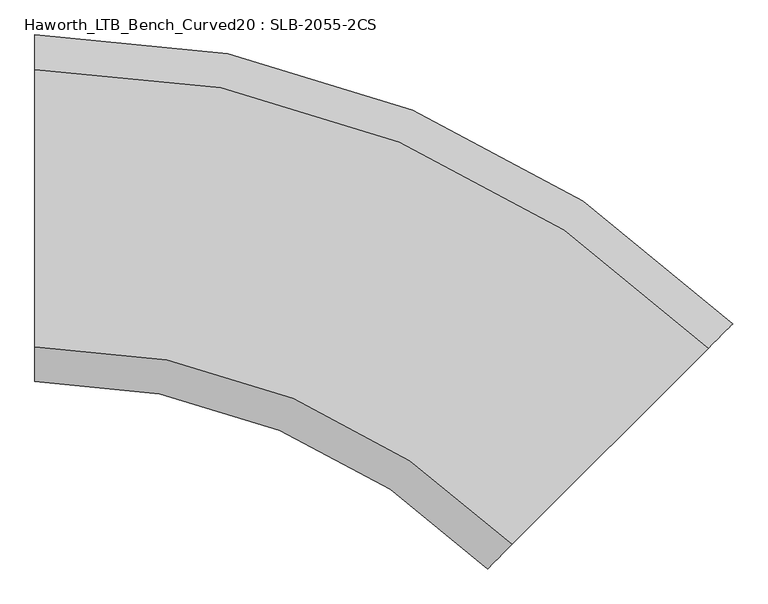
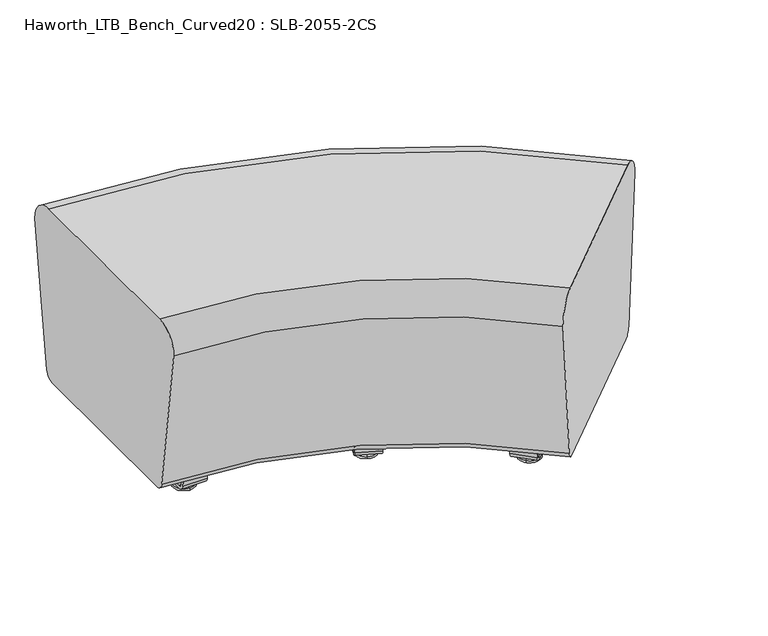
"""IFC4 building model written with IfcOpenShell, lengths in millimetres: furniture geometry, Haworth_LTB_Bench_Curved20 : SLB-2055-2CS."""

from ifc_helpers import new_model, si_unit, point, frame, frame_2d, origin, place, context, project, spatial, polyline, circle_curve, ellipse_curve, trimmed, segment, composite_curve, outline, extrude, source, transform, mapped, element, save
from ifc_brep_helpers import plane_surface, cylinder_surface, revolved_surface, advanced_brep


def haworth_ltb_bench_curved20_slb_2055_2cs_7f0cf8d8(model_context):
    return source(origin(), model_context, "Body", "SolidModel", [
        advanced_brep(
        [(668.2657909, -374.5060237, 7.8133431), (661.5305988, -381.2412158, 7.8133431), (659.2437991, -383.5280155, 7.8133431), (670.5525906, -372.219224, 7.8133431), (649.3850661, -393.3867485, 4.0775), (680.4113236, -362.360491, 4.0775), (649.6753697, -393.0964449, 0.0), (680.12102, -362.6507946, 0.0), (664.8981948, -377.8736198, 0.0), (664.8981948, -377.8736198, 50.0000004), (661.5305988, -381.2412158, 50.0000004), (668.2657909, -374.5060237, 50.0000004)],
        [
            (0, 1, circle_curve(frame((664.8981948, -377.8736198, 7.8133431), z_axis=(0.0, 0.0, -1.0), x_axis=(-0.7071067811865458, -0.7071067811865493, 0.0)), 4.7625)),
            (1, 2),
            (2, 3, circle_curve(frame((664.8981948, -377.8736198, 7.8133431), z_axis=(0.0, 0.0, 1.0), x_axis=(-0.7071067811865458, -0.7071067811865493, 0.0)), 7.9965232)),
            (3, 0),
            (1, 0, circle_curve(frame((664.8981948, -377.8736198, 7.8133431), z_axis=(0.0, 0.0, -1.0), x_axis=(-0.7071067811865458, -0.7071067811865493, 0.0)), 4.7625)),
            (3, 2, circle_curve(frame((664.8981948, -377.8736198, 7.8133431), z_axis=(0.0, 0.0, 1.0), x_axis=(-0.7071067811865458, -0.7071067811865493, 0.0)), 7.9965232)),
            (2, 4),
            (4, 5, circle_curve(frame((664.8981948, -377.8736198, 4.0775), z_axis=(0.0, 0.0, 1.0), x_axis=(-0.7071067811865458, -0.7071067811865493, 0.0)), 21.9388771)),
            (5, 3),
            (5, 4, circle_curve(frame((664.8981948, -377.8736198, 4.0775), z_axis=(0.0, 0.0, 1.0), x_axis=(-0.7071067811865458, -0.7071067811865493, 0.0)), 21.9388771)),
            (4, 6, circle_curve(frame((649.765011, -393.0068036, 2.0721829), z_axis=(0.7071067811865493, -0.7071067811865458, 0.0), x_axis=(0.7071067811865458, 0.7071067811865493, 0.0)), 2.0760571)),
            (6, 7, circle_curve(frame((664.8981948, -377.8736198, 0.0), z_axis=(0.0, 0.0, 1.0), x_axis=(-0.7071067811865458, -0.7071067811865493, 0.0)), 21.5283258)),
            (7, 5, circle_curve(frame((680.0313787, -362.7404359, 2.0721829), z_axis=(0.707106781186547, -0.7071067811865481, 0.0), x_axis=(-0.7071067811865481, -0.707106781186547, 0.0)), 2.0760571)),
            (7, 6, circle_curve(frame((664.8981948, -377.8736198, 0.0), z_axis=(0.0, 0.0, 1.0), x_axis=(-0.7071067811865458, -0.7071067811865493, 0.0)), 21.5283258)),
            (6, 8),
            (8, 7),
            (9, 10),
            (10, 11, circle_curve(frame((664.8981948, -377.8736198, 50.0000004), z_axis=(0.0, 0.0, 1.0), x_axis=(-0.7071067811865458, -0.7071067811865493, 0.0)), 4.7625)),
            (11, 9),
            (11, 10, circle_curve(frame((664.8981948, -377.8736198, 50.0000004), z_axis=(0.0, 0.0, 1.0), x_axis=(-0.7071067811865458, -0.7071067811865493, 0.0)), 4.7625)),
            (10, 1),
            (0, 11),
        ],
        [
            plane_surface(frame((664.8981948, -377.8736198, 7.8133431), z_axis=(0.0, 0.0, 1.0), x_axis=(-0.7071067811865458, -0.7071067811865493, 0.0))),
            revolved_surface(polyline([(649.3850661, -393.3867485, 4.0775), (659.2437991, -383.5280155, 7.8133431)]), (664.8981948, -377.8736198, 0.0), (0.0, 0.0, 1.0)),
            revolved_surface(trimmed(ellipse_curve(frame((649.765011, -393.0068036, 2.0721829), z_axis=(-0.7071067811865493, 0.7071067811865458, 0.0), x_axis=(0.7071067811865458, 0.7071067811865493, 0.0)), 2.0760571, 2.0760571), [point((649.6753697, -393.0964449, 0.0))], [point((649.3850661, -393.3867485, 4.0775))], True, "CARTESIAN"), (664.8981948, -377.8736198, 0.0), (0.0, 0.0, 1.0)),
            plane_surface(frame((664.8981948, -377.8736198, 0.0), z_axis=(0.0, 0.0, -1.0), x_axis=(-0.7071067811865458, -0.7071067811865493, 0.0))),
            plane_surface(frame((664.8981948, -377.8736198, 50.0000004), z_axis=(0.0, 0.0, 1.0), x_axis=(-0.7071067811865458, -0.7071067811865493, 0.0))),
            cylinder_surface(frame((664.8981948, -377.8736198, 0.0), z_axis=(0.0, 0.0, 1.0), x_axis=(-0.7071067811865458, -0.7071067811865493, 0.0)), 4.7625),
        ],
        [
            (0, [[1, 2, 3, 4]]),
            (0, [[5, -4, 6, -2]]),
            (1, [[-3, 7, 8, 9]]),
            (1, [[-6, -9, 10, -7]]),
            (2, [[-8, 11, 12, 13]]),
            (2, [[-10, -13, 14, -11]]),
            (3, [[-12, 15, 16]]),
            (3, [[-14, -16, -15]]),
            (4, [[17, 18, 19]]),
            (4, [[-19, 20, -17]]),
            (5, [[-18, 21, -1, 22]]),
            (5, [[-20, -22, -5, -21]]),
        ],
    ),
        advanced_brep(
        [(861.2486902, -181.5231244, 7.8133431), (872.5574817, -170.2143329, 7.8133431), (870.270682, -172.5011326, 7.8133431), (863.5354899, -179.2363247, 7.8133431), (851.3899572, -191.3818574, 4.0775), (882.4162147, -160.3555999, 4.0775), (851.6802608, -191.0915538, 0.0), (882.1259112, -160.6459035, 0.0), (866.903086, -175.8687286, 0.0), (863.5354899, -179.2363247, 50.0000004), (870.270682, -172.5011326, 50.0000004), (866.903086, -175.8687286, 50.0000004)],
        [
            (0, 1, circle_curve(frame((866.903086, -175.8687286, 7.8133431), z_axis=(0.0, 0.0, 1.0), x_axis=(0.707106781186548, 0.7071067811865471, 0.0)), 7.9965232)),
            (1, 2),
            (2, 3, circle_curve(frame((866.903086, -175.8687286, 7.8133431), z_axis=(0.0, 0.0, -1.0), x_axis=(0.707106781186548, 0.7071067811865471, 0.0)), 4.7625)),
            (3, 0),
            (1, 0, circle_curve(frame((866.903086, -175.8687286, 7.8133431), z_axis=(0.0, 0.0, 1.0), x_axis=(0.707106781186548, 0.7071067811865471, 0.0)), 7.9965232)),
            (3, 2, circle_curve(frame((866.903086, -175.8687286, 7.8133431), z_axis=(0.0, 0.0, -1.0), x_axis=(0.707106781186548, 0.7071067811865471, 0.0)), 4.7625)),
            (4, 5, circle_curve(frame((866.903086, -175.8687286, 4.0775), z_axis=(0.0, 0.0, 1.0), x_axis=(0.707106781186548, 0.7071067811865471, 0.0)), 21.9388771)),
            (5, 1),
            (0, 4),
            (5, 4, circle_curve(frame((866.903086, -175.8687286, 4.0775), z_axis=(0.0, 0.0, 1.0), x_axis=(0.707106781186548, 0.7071067811865471, 0.0)), 21.9388771)),
            (6, 7, circle_curve(frame((866.903086, -175.8687286, 0.0), z_axis=(0.0, 0.0, 1.0), x_axis=(0.707106781186548, 0.7071067811865471, 0.0)), 21.5283258)),
            (7, 5, circle_curve(frame((882.0362699, -160.7355447, 2.0721829), z_axis=(0.7071067811865471, -0.707106781186548, 0.0), x_axis=(-0.707106781186548, -0.7071067811865471, 0.0)), 2.0760571)),
            (4, 6, circle_curve(frame((851.7699021, -191.0019125, 2.0721829), z_axis=(0.7071067811865495, -0.7071067811865457, 0.0), x_axis=(0.7071067811865457, 0.7071067811865495, 0.0)), 2.0760571)),
            (7, 6, circle_curve(frame((866.903086, -175.8687286, 0.0), z_axis=(0.0, 0.0, 1.0), x_axis=(0.707106781186548, 0.7071067811865471, 0.0)), 21.5283258)),
            (8, 7),
            (6, 8),
            (9, 10, circle_curve(frame((866.903086, -175.8687286, 50.0000004), z_axis=(0.0, 0.0, 1.0), x_axis=(0.707106781186548, 0.7071067811865471, 0.0)), 4.7625)),
            (10, 11),
            (11, 9),
            (10, 9, circle_curve(frame((866.903086, -175.8687286, 50.0000004), z_axis=(0.0, 0.0, 1.0), x_axis=(0.707106781186548, 0.7071067811865471, 0.0)), 4.7625)),
            (2, 10),
            (9, 3),
        ],
        [
            plane_surface(frame((866.903086, -175.8687286, 7.8133431), z_axis=(0.0, 0.0, 1.0), x_axis=(0.707106781186548, 0.7071067811865471, 0.0))),
            revolved_surface(polyline([(872.5574817, -170.2143329, 7.8133431), (882.4162147, -160.3555999, 4.0775)]), (866.903086, -175.8687286, 0.0), (0.0, 0.0, -1.0)),
            revolved_surface(trimmed(ellipse_curve(frame((882.0362699, -160.7355447, 2.0721829), z_axis=(-0.7071067811865471, 0.707106781186548, 0.0), x_axis=(-0.707106781186548, -0.7071067811865471, 0.0)), 2.0760571, 2.0760571), [point((882.4162147, -160.3555999, 4.0775))], [point((882.1259112, -160.6459035, 0.0))], True, "CARTESIAN"), (866.903086, -175.8687286, 0.0), (0.0, 0.0, -1.0)),
            plane_surface(frame((866.903086, -175.8687286, 0.0), z_axis=(0.0, 0.0, -1.0), x_axis=(0.707106781186548, 0.7071067811865471, 0.0))),
            plane_surface(frame((866.903086, -175.8687286, 50.0000004), z_axis=(0.0, 0.0, 1.0), x_axis=(0.707106781186548, 0.7071067811865471, 0.0))),
            cylinder_surface(frame((866.903086, -175.8687286, 0.0), z_axis=(0.0, 0.0, -1.0), x_axis=(0.707106781186548, 0.7071067811865471, 0.0)), 4.7625),
        ],
        [
            (0, [[1, 2, 3, 4]]),
            (0, [[5, -4, 6, -2]]),
            (1, [[7, 8, -1, 9]]),
            (1, [[10, -9, -5, -8]]),
            (2, [[11, 12, -7, 13]]),
            (2, [[14, -13, -10, -12]]),
            (3, [[15, -11, 16]]),
            (3, [[-16, -14, -15]]),
            (4, [[17, 18, 19]]),
            (4, [[20, -19, -18]]),
            (5, [[-3, 21, -17, 22]]),
            (5, [[-6, -22, -20, -21]]),
        ],
    ),
        extrude(outline(composite_curve([segment(polyline([(0.0, 0.0), (-1.2e-06, -5.6900076), (-35.4274256, -5.6900007)]), True, "CONTINUOUS"), segment(trimmed(circle_curve(frame_2d((-35.4274274, -15.0000027)), 9.310002), [point((-35.4274256, -5.6900007))], [point((-44.6468251, -13.7043009))], True, "CARTESIAN"), True, "CONTINUOUS"), segment(polyline([(-44.6468251, -13.7043009), (-91.6403805, -348.0808441)]), True, "CONTINUOUS"), segment(trimmed(circle_curve(frame_2d((-82.4209827, -349.3765458)), 9.310002), [point((-91.6403805, -348.0808441))], [point((-84.9871652, -358.3258946))], True, "CARTESIAN"), True, "CONTINUOUS"), segment(polyline([(-84.9871652, -358.3258946), (-50.932137, -368.091009), (-52.5005144, -373.5605955), (-86.5555449, -363.7954735)]), True, "CONTINUOUS"), segment(trimmed(circle_curve(frame_2d((-82.4209845, -349.3765469)), 15.000001), [point((-86.5555449, -363.7954735))], [point((-97.2750065, -347.2889503))], False, "CARTESIAN"), True, "CONTINUOUS"), segment(polyline([(-97.2750065, -347.2889503), (-50.2814508, -12.9124045)]), True, "CONTINUOUS"), segment(trimmed(circle_curve(frame_2d((-35.4274288, -15.000001)), 15.000001), [point((-50.2814508, -12.9124045))], [point((-35.4274288, -1e-07))], False, "CARTESIAN"), True, "CONTINUOUS"), segment(polyline([(-35.4274288, -1e-07), (0.0, 0.0)]), True, "CONTINUOUS")], self_intersect=False)), frame((917.2327307, -161.4601084, 62.9950557), z_axis=(-0.7071067811865471, 0.707106781186548, 0.0), x_axis=(0.09841023703060935, 0.09841023703060922, 0.9902680700169821)), (0.0, 0.0, 1.0), 50.8),
        advanced_brep(
        [(418.2664228, -215.2155294, 7.8133431), (414.6213631, -224.015482, 7.8133431), (413.383756, -227.0033298, 7.8133431), (419.5040299, -212.2276816, 7.8133431), (408.0482482, -239.8843852, 4.0775), (424.8395377, -199.3466262, 4.0775), (408.2053593, -239.5050853, 0.0), (424.6824266, -199.7259261, 0.0), (416.4438929, -219.6155057, 0.0), (416.4438929, -219.6155057, 50.0000004), (414.6213631, -224.015482, 50.0000004), (418.2664228, -215.2155294, 50.0000004)],
        [
            (0, 1, circle_curve(frame((416.4438929, -219.6155057, 7.8133431), z_axis=(0.0, 0.0, -1.0), x_axis=(-0.38268343236508784, -0.9238795325112876, 0.0)), 4.7625)),
            (1, 2),
            (2, 3, circle_curve(frame((416.4438929, -219.6155057, 7.8133431), z_axis=(0.0, 0.0, 1.0), x_axis=(-0.38268343236508784, -0.9238795325112876, 0.0)), 7.9965232)),
            (3, 0),
            (1, 0, circle_curve(frame((416.4438929, -219.6155057, 7.8133431), z_axis=(0.0, 0.0, -1.0), x_axis=(-0.38268343236508784, -0.9238795325112876, 0.0)), 4.7625)),
            (3, 2, circle_curve(frame((416.4438929, -219.6155057, 7.8133431), z_axis=(0.0, 0.0, 1.0), x_axis=(-0.38268343236508784, -0.9238795325112876, 0.0)), 7.9965232)),
            (2, 4),
            (4, 5, circle_curve(frame((416.4438929, -219.6155057, 4.0775), z_axis=(0.0, 0.0, 1.0), x_axis=(-0.38268343236508784, -0.9238795325112876, 0.0)), 21.9388771)),
            (5, 3),
            (5, 4, circle_curve(frame((416.4438929, -219.6155057, 4.0775), z_axis=(0.0, 0.0, 1.0), x_axis=(-0.38268343236508784, -0.9238795325112876, 0.0)), 21.9388771)),
            (4, 6, circle_curve(frame((408.2538728, -239.3879633, 2.0721829), z_axis=(0.9238795325112876, -0.3826834323650878, 0.0), x_axis=(0.3826834323650878, 0.9238795325112876, 0.0)), 2.0760571)),
            (6, 7, circle_curve(frame((416.4438929, -219.6155057, 0.0), z_axis=(0.0, 0.0, 1.0), x_axis=(-0.38268343236508784, -0.9238795325112876, 0.0)), 21.5283258)),
            (7, 5, circle_curve(frame((424.633913, -199.8430481, 2.0721829), z_axis=(0.9238795325112864, -0.3826834323650908, 0.0), x_axis=(-0.3826834323650908, -0.9238795325112864, 0.0)), 2.0760571)),
            (7, 6, circle_curve(frame((416.4438929, -219.6155057, 0.0), z_axis=(0.0, 0.0, 1.0), x_axis=(-0.38268343236508784, -0.9238795325112876, 0.0)), 21.5283258)),
            (6, 8),
            (8, 7),
            (9, 10),
            (10, 11, circle_curve(frame((416.4438929, -219.6155057, 50.0000004), z_axis=(0.0, 0.0, 1.0), x_axis=(-0.38268343236508784, -0.9238795325112876, 0.0)), 4.7625)),
            (11, 9),
            (11, 10, circle_curve(frame((416.4438929, -219.6155057, 50.0000004), z_axis=(0.0, 0.0, 1.0), x_axis=(-0.38268343236508784, -0.9238795325112876, 0.0)), 4.7625)),
            (10, 1),
            (0, 11),
        ],
        [
            plane_surface(frame((416.4438929, -219.6155057, 7.8133431), z_axis=(0.0, 0.0, 1.0000000000000002), x_axis=(-0.38268343236508784, -0.9238795325112876, 0.0))),
            revolved_surface(polyline([(408.0482482, -239.8843852, 4.0775), (413.383756, -227.0033298, 7.8133431)]), (416.4438929, -219.6155057, 0.0), (0.0, 0.0, 1.0)),
            revolved_surface(trimmed(ellipse_curve(frame((408.2538728, -239.3879633, 2.0721829), z_axis=(-0.9238795325112876, 0.3826834323650878, 0.0), x_axis=(0.3826834323650878, 0.9238795325112876, 0.0)), 2.0760571, 2.0760571), [point((408.2053593, -239.5050853, 0.0))], [point((408.0482482, -239.8843852, 4.0775))], True, "CARTESIAN"), (416.4438929, -219.6155057, 0.0), (0.0, 0.0, 1.0)),
            plane_surface(frame((416.4438929, -219.6155057, 0.0), z_axis=(0.0, 0.0, -1.0000000000000002), x_axis=(-0.38268343236508784, -0.9238795325112876, 0.0))),
            plane_surface(frame((416.4438929, -219.6155057, 50.0000004), z_axis=(0.0, 0.0, 1.0000000000000002), x_axis=(-0.38268343236508784, -0.9238795325112876, 0.0))),
            cylinder_surface(frame((416.4438929, -219.6155057, 0.0), z_axis=(0.0, 0.0, 1.0), x_axis=(-0.38268343236508784, -0.9238795325112876, 0.0)), 4.7625),
        ],
        [
            (0, [[1, 2, 3, 4]]),
            (0, [[5, -4, 6, -2]]),
            (1, [[-3, 7, 8, 9]]),
            (1, [[-6, -9, 10, -7]]),
            (2, [[-8, 11, 12, 13]]),
            (2, [[-10, -13, 14, -11]]),
            (3, [[-12, 15, 16]]),
            (3, [[-14, -16, -15]]),
            (4, [[17, 18, 19]]),
            (4, [[-19, 20, -17]]),
            (5, [[-18, 21, -1, 22]]),
            (5, [[-20, -22, -5, -21]]),
        ],
    ),
        advanced_brep(
        [(522.7080153, 36.9287797, 7.8133431), (528.8282892, 51.7044279, 7.8133431), (527.5906821, 48.7165801, 7.8133431), (523.9456224, 39.9166275, 7.8133431), (517.3725075, 24.0477243, 4.0775), (534.163797, 64.5854833, 4.0775), (517.5296186, 24.4270242, 0.0), (534.0066858, 64.2061834, 0.0), (525.7681522, 44.3166038, 0.0), (523.9456224, 39.9166275, 50.0000004), (527.5906821, 48.7165801, 50.0000004), (525.7681522, 44.3166038, 50.0000004)],
        [
            (0, 1, circle_curve(frame((525.7681522, 44.3166038, 7.8133431), z_axis=(0.0, 0.0, 1.0), x_axis=(0.3826834323650909, 0.9238795325112864, 0.0)), 7.9965232)),
            (1, 2),
            (2, 3, circle_curve(frame((525.7681522, 44.3166038, 7.8133431), z_axis=(0.0, 0.0, -1.0), x_axis=(0.3826834323650909, 0.9238795325112864, 0.0)), 4.7625)),
            (3, 0),
            (1, 0, circle_curve(frame((525.7681522, 44.3166038, 7.8133431), z_axis=(0.0, 0.0, 1.0), x_axis=(0.3826834323650909, 0.9238795325112864, 0.0)), 7.9965232)),
            (3, 2, circle_curve(frame((525.7681522, 44.3166038, 7.8133431), z_axis=(0.0, 0.0, -1.0), x_axis=(0.3826834323650909, 0.9238795325112864, 0.0)), 4.7625)),
            (4, 5, circle_curve(frame((525.7681522, 44.3166038, 4.0775), z_axis=(0.0, 0.0, 1.0), x_axis=(0.3826834323650909, 0.9238795325112864, 0.0)), 21.9388771)),
            (5, 1),
            (0, 4),
            (5, 4, circle_curve(frame((525.7681522, 44.3166038, 4.0775), z_axis=(0.0, 0.0, 1.0), x_axis=(0.3826834323650909, 0.9238795325112864, 0.0)), 21.9388771)),
            (6, 7, circle_curve(frame((525.7681522, 44.3166038, 0.0), z_axis=(0.0, 0.0, 1.0), x_axis=(0.3826834323650909, 0.9238795325112864, 0.0)), 21.5283258)),
            (7, 5, circle_curve(frame((533.9581723, 64.0890614, 2.0721829), z_axis=(0.9238795325112864, -0.3826834323650909, 0.0), x_axis=(-0.3826834323650909, -0.9238795325112864, 0.0)), 2.0760571)),
            (4, 6, circle_curve(frame((517.5781321, 24.5441462, 2.0721829), z_axis=(0.9238795325112876, -0.3826834323650879, 0.0), x_axis=(0.3826834323650879, 0.9238795325112876, 0.0)), 2.0760571)),
            (7, 6, circle_curve(frame((525.7681522, 44.3166038, 0.0), z_axis=(0.0, 0.0, 1.0), x_axis=(0.3826834323650909, 0.9238795325112864, 0.0)), 21.5283258)),
            (8, 7),
            (6, 8),
            (9, 10, circle_curve(frame((525.7681522, 44.3166038, 50.0000004), z_axis=(0.0, 0.0, 1.0), x_axis=(0.3826834323650909, 0.9238795325112864, 0.0)), 4.7625)),
            (10, 11),
            (11, 9),
            (10, 9, circle_curve(frame((525.7681522, 44.3166038, 50.0000004), z_axis=(0.0, 0.0, 1.0), x_axis=(0.3826834323650909, 0.9238795325112864, 0.0)), 4.7625)),
            (2, 10),
            (9, 3),
        ],
        [
            plane_surface(frame((525.7681522, 44.3166038, 7.8133431), z_axis=(0.0, 0.0, 1.0000000000000002), x_axis=(0.3826834323650909, 0.9238795325112864, 0.0))),
            revolved_surface(polyline([(528.8282892, 51.7044279, 7.8133431), (534.163797, 64.5854833, 4.0775)]), (525.7681522, 44.3166038, 0.0), (0.0, 0.0, -1.0)),
            revolved_surface(trimmed(ellipse_curve(frame((533.9581723, 64.0890614, 2.0721829), z_axis=(-0.9238795325112864, 0.3826834323650909, 0.0), x_axis=(-0.3826834323650909, -0.9238795325112864, 0.0)), 2.0760571, 2.0760571), [point((534.163797, 64.5854833, 4.0775))], [point((534.0066858, 64.2061834, 0.0))], True, "CARTESIAN"), (525.7681522, 44.3166038, 0.0), (0.0, 0.0, -1.0)),
            plane_surface(frame((525.7681522, 44.3166038, 0.0), z_axis=(0.0, 0.0, -1.0000000000000002), x_axis=(0.3826834323650909, 0.9238795325112864, 0.0))),
            plane_surface(frame((525.7681522, 44.3166038, 50.0000004), z_axis=(0.0, 0.0, 1.0000000000000002), x_axis=(0.3826834323650909, 0.9238795325112864, 0.0))),
            cylinder_surface(frame((525.7681522, 44.3166038, 0.0), z_axis=(0.0, 0.0, -1.0), x_axis=(0.3826834323650909, 0.9238795325112864, 0.0)), 4.7625),
        ],
        [
            (0, [[1, 2, 3, 4]]),
            (0, [[5, -4, 6, -2]]),
            (1, [[7, 8, -1, 9]]),
            (1, [[10, -9, -5, -8]]),
            (2, [[11, 12, -7, 13]]),
            (2, [[14, -13, -10, -12]]),
            (3, [[15, -11, 16]]),
            (3, [[-16, -14, -15]]),
            (4, [[17, 18, 19]]),
            (4, [[20, -19, -18]]),
            (5, [[-3, 21, -17, 22]]),
            (5, [[-6, -22, -20, -21]]),
        ],
    ),
        extrude(outline(composite_curve([segment(polyline([(0.0, 0.0), (-1.1e-06, -5.6900075), (-35.4274256, -5.6900005)]), True, "CONTINUOUS"), segment(trimmed(circle_curve(frame_2d((-35.4274274, -15.0000026)), 9.310002), [point((-35.4274256, -5.6900005))], [point((-44.6468251, -13.7043008))], True, "CARTESIAN"), True, "CONTINUOUS"), segment(polyline([(-44.6468251, -13.7043008), (-91.6403804, -348.0808439)]), True, "CONTINUOUS"), segment(trimmed(circle_curve(frame_2d((-82.4209827, -349.3765456)), 9.310002), [point((-91.6403804, -348.0808439))], [point((-84.9871652, -358.3258945))], True, "CARTESIAN"), True, "CONTINUOUS"), segment(polyline([(-84.9871652, -358.3258945), (-50.932137, -368.0910089), (-52.5005144, -373.5605955), (-86.5555448, -363.7954733)]), True, "CONTINUOUS"), segment(trimmed(circle_curve(frame_2d((-82.4209845, -349.3765468)), 15.000001), [point((-86.5555448, -363.7954733))], [point((-97.2750065, -347.2889503))], False, "CARTESIAN"), True, "CONTINUOUS"), segment(polyline([(-97.2750065, -347.2889503), (-50.2814508, -12.9124045)]), True, "CONTINUOUS"), segment(trimmed(circle_curve(frame_2d((-35.4274288, -15.0000011)), 15.000001), [point((-50.2814508, -12.9124045))], [point((-35.4274288, 0.0))], False, "CARTESIAN"), True, "CONTINUOUS"), segment(polyline([(-35.4274288, 0.0), (0.0, 0.0)]), True, "CONTINUOUS")], self_intersect=False)), frame((566.7527406, 76.8887542, 62.9950557), z_axis=(-0.9238795325112863, 0.38268343236509084, 0.0), x_axis=(0.05325923649542972, 0.1285791710689021, 0.9902680700169818)), (0.0, 0.0, 1.0), 50.8),
        advanced_brep(
        [(0.0, -249.9820603, 374.65), (0.0, -200.0364582, 425.0000032), (0.0, 200.0364582, 425.0000032), (0.0, 249.9820603, 374.65), (0.0, 206.6601731, 66.3987528), (0.0, 187.7955663, 50.0000004), (0.0, -187.7955663, 50.0000004), (0.0, -206.6601731, 66.3987528), (652.4485474, -520.2350974, 374.65), (683.0817477, -489.6018972, 66.3987528), (696.421039, -476.2626058, 50.0000004), (962.0040759, -210.679569, 50.0000004), (975.3433672, -197.3402776, 66.3987528), (1005.9765675, -166.7070774, 374.65), (970.6596936, -202.0239513, 425.0000032), (687.7654214, -484.9182235, 425.0000032)],
        [
            (0, 1, circle_curve(frame((0.0, -200.0364582, 375.0527771), z_axis=(-1.0, 0.0, 0.0), x_axis=(0.0, -1.0, 0.0)), 49.9472261)),
            (1, 2),
            (2, 3, circle_curve(frame((0.0, 200.0364582, 375.0527771), z_axis=(-1.0, 0.0, 0.0), x_axis=(0.0, -1.0, 0.0)), 49.9472261)),
            (3, 4),
            (4, 5, circle_curve(frame((0.0, 187.7955663, 69.0500004), z_axis=(-1.0, 0.0, 0.0), x_axis=(0.0, -1.0, 0.0)), 19.05)),
            (5, 6),
            (6, 7, circle_curve(frame((0.0, -187.7955663, 69.0500004), z_axis=(-1.0, 0.0, 0.0), x_axis=(0.0, -1.0, 0.0)), 19.05)),
            (7, 0),
            (8, 9),
            (9, 10, circle_curve(frame((696.421039, -476.2626058, 69.0500004), z_axis=(0.707106781186547, -0.707106781186548, 0.0), x_axis=(-0.707106781186548, -0.707106781186547, 0.0)), 19.05)),
            (10, 11),
            (11, 12, circle_curve(frame((962.0040759, -210.679569, 69.0500004), z_axis=(0.707106781186547, -0.707106781186548, 0.0), x_axis=(-0.707106781186548, -0.707106781186547, 0.0)), 19.05)),
            (12, 13),
            (13, 14, circle_curve(frame((970.6596936, -202.0239513, 375.0527771), z_axis=(0.707106781186547, -0.707106781186548, 0.0), x_axis=(-0.707106781186548, -0.707106781186547, 0.0)), 49.9472261)),
            (14, 15),
            (15, 8, circle_curve(frame((687.7654214, -484.9182235, 375.0527771), z_axis=(0.707106781186547, -0.707106781186548, 0.0), x_axis=(-0.707106781186548, -0.707106781186547, 0.0)), 49.9472261)),
            (12, 4, circle_curve(frame((0.0, -1172.6836449, 66.3987528), z_axis=(0.0, 0.0, 1.0), x_axis=(0.0, 1.0, 0.0)), 1379.3438179)),
            (3, 13, circle_curve(frame((0.0, -1172.6836449, 374.65), z_axis=(0.0, 0.0, -1.0), x_axis=(0.0, 1.0, 0.0)), 1422.6657052)),
            (11, 5, circle_curve(frame((0.0, -1172.6836449, 50.0000004), z_axis=(0.0, 0.0, 1.0), x_axis=(0.0, 1.0, 0.0)), 1360.4792112)),
            (10, 6, circle_curve(frame((0.0, -1172.6836449, 50.0000004), z_axis=(0.0, 0.0, 1.0), x_axis=(0.0, 1.0, 0.0)), 984.8880785)),
            (9, 7, circle_curve(frame((0.0, -1172.6836449, 66.3987528), z_axis=(0.0, 0.0, 1.0), x_axis=(0.0, 1.0, 0.0)), 966.0234718)),
            (8, 0, circle_curve(frame((0.0, -1172.6836449, 374.65), z_axis=(0.0, 0.0, 1.0), x_axis=(0.0, 1.0, 0.0)), 922.7015845)),
            (15, 1, circle_curve(frame((0.0, -1172.6836449, 425.0000032), z_axis=(0.0, 0.0, 1.0), x_axis=(0.0, 1.0, 0.0)), 972.6471866)),
            (14, 2, circle_curve(frame((0.0, -1172.6836449, 425.0000032), z_axis=(0.0, 0.0, 1.0), x_axis=(0.0, 1.0, 0.0)), 1372.7201031)),
        ],
        [
            plane_surface(frame((0.0, -1172.6836449, 50.0000004), z_axis=(-1.0, 0.0, 0.0), x_axis=(0.0, 1.0, 0.0))),
            plane_surface(frame((0.0, -1172.6836449, 50.0000004), z_axis=(0.707106781186547, -0.707106781186548, 0.0), x_axis=(0.707106781186548, 0.707106781186547, 0.0))),
            revolved_surface(polyline([(0.0, 249.9820603, 374.65), (0.0, 206.6601731, 66.3987528)]), (0.0, -1172.6836449, 50.0000004), (0.0, 0.0, -1.0)),
            revolved_surface(trimmed(ellipse_curve(frame((0.0, 187.7955663, 69.0500004), z_axis=(-1.0, 0.0, 0.0), x_axis=(0.0, -1.0, 0.0)), 19.05, 19.05), [point((0.0, 206.6601731, 66.3987528))], [point((0.0, 187.7955663, 50.0000004))], True, "CARTESIAN"), (0.0, -1172.6836449, 50.0000004), (0.0, 0.0, -1.0)),
            plane_surface(frame((0.0, -1172.6836449, 50.0000004), z_axis=(0.0, 0.0, -1.0), x_axis=(0.0, 1.0, 0.0))),
            revolved_surface(trimmed(ellipse_curve(frame((0.0, -187.7955663, 69.0500004), z_axis=(-1.0, 0.0, 0.0), x_axis=(0.0, -1.0, 0.0)), 19.05, 19.05), [point((0.0, -187.7955663, 50.0000004))], [point((0.0, -206.6601731, 66.3987528))], True, "CARTESIAN"), (0.0, -1172.6836449, 50.0000004), (0.0, 0.0, -1.0)),
            revolved_surface(polyline([(0.0, -206.6601731, 66.3987528), (0.0, -249.9820603, 374.65)]), (0.0, -1172.6836449, 50.0000004), (0.0, 0.0, -1.0)),
            revolved_surface(trimmed(ellipse_curve(frame((0.0, -200.0364582, 375.0527771), z_axis=(-1.0, 0.0, 0.0), x_axis=(0.0, -1.0, 0.0)), 49.9472261, 49.9472261), [point((0.0, -249.9820603, 374.65))], [point((0.0, -200.0364582, 425.0000032))], True, "CARTESIAN"), (0.0, -1172.6836449, 50.0000004), (0.0, 0.0, -1.0)),
            plane_surface(frame((0.0, -1172.6836449, 425.0000032), z_axis=(0.0, 0.0, 1.0), x_axis=(0.0, 1.0, 0.0))),
            revolved_surface(trimmed(ellipse_curve(frame((0.0, 200.0364582, 375.0527771), z_axis=(-1.0, 0.0, 0.0), x_axis=(0.0, -1.0, 0.0)), 49.9472261, 49.9472261), [point((0.0, 200.0364582, 425.0000032))], [point((0.0, 249.9820603, 374.65))], True, "CARTESIAN"), (0.0, -1172.6836449, 50.0000004), (0.0, 0.0, -1.0)),
        ],
        [
            (0, [[1, 2, 3, 4, 5, 6, 7, 8]]),
            (1, [[9, 10, 11, 12, 13, 14, 15, 16]]),
            (2, [[17, -4, 18, -13]]),
            (3, [[19, -5, -17, -12]]),
            (4, [[20, -6, -19, -11]]),
            (5, [[21, -7, -20, -10]]),
            (6, [[22, -8, -21, -9]]),
            (7, [[23, -1, -22, -16]]),
            (8, [[24, -2, -23, -15]]),
            (9, [[-18, -3, -24, -14]]),
        ],
    ),
        advanced_brep(
        [(82.4954642, -138.0765284, 7.8133431), (82.4954642, -147.6015284, 7.8133431), (82.4954642, -150.8355515, 7.8133431), (82.4954642, -134.8425052, 7.8133431), (82.4954642, -164.7779054, 4.0775), (82.4954642, -120.9001513, 4.0775), (82.4954642, -164.3673542, 0.0), (82.4954642, -121.3107026, 0.0), (82.4954642, -142.8390284, 0.0), (82.4954642, -142.8390284, 50.0000004), (82.4954642, -147.6015284, 50.0000004), (82.4954642, -138.0765284, 50.0000004)],
        [
            (0, 1, circle_curve(frame((82.4954642, -142.8390284, 7.8133431), z_axis=(0.0, 0.0, -1.0), x_axis=(0.0, -1.0, 0.0)), 4.7625)),
            (1, 2),
            (2, 3, circle_curve(frame((82.4954642, -142.8390284, 7.8133431), z_axis=(0.0, 0.0, 1.0), x_axis=(0.0, -1.0, 0.0)), 7.9965232)),
            (3, 0),
            (1, 0, circle_curve(frame((82.4954642, -142.8390284, 7.8133431), z_axis=(0.0, 0.0, -1.0), x_axis=(0.0, -1.0, 0.0)), 4.7625)),
            (3, 2, circle_curve(frame((82.4954642, -142.8390284, 7.8133431), z_axis=(0.0, 0.0, 1.0), x_axis=(0.0, -1.0, 0.0)), 7.9965232)),
            (2, 4),
            (4, 5, circle_curve(frame((82.4954642, -142.8390284, 4.0775), z_axis=(0.0, 0.0, 1.0), x_axis=(0.0, -1.0, 0.0)), 21.9388771)),
            (5, 3),
            (5, 4, circle_curve(frame((82.4954642, -142.8390284, 4.0775), z_axis=(0.0, 0.0, 1.0), x_axis=(0.0, -1.0, 0.0)), 21.9388771)),
            (4, 6, circle_curve(frame((82.4954642, -164.2405822, 2.0721829), z_axis=(1.0, 0.0, 0.0), x_axis=(0.0, 1.0, 0.0)), 2.0760571)),
            (6, 7, circle_curve(frame((82.4954642, -142.8390284, 0.0), z_axis=(0.0, 0.0, 1.0), x_axis=(0.0, -1.0, 0.0)), 21.5283258)),
            (7, 5, circle_curve(frame((82.4954642, -121.4374745, 2.0721829), z_axis=(1.0, 0.0, 0.0), x_axis=(0.0, -1.0, 0.0)), 2.0760571)),
            (7, 6, circle_curve(frame((82.4954642, -142.8390284, 0.0), z_axis=(0.0, 0.0, 1.0), x_axis=(0.0, -1.0, 0.0)), 21.5283258)),
            (6, 8),
            (8, 7),
            (9, 10),
            (10, 11, circle_curve(frame((82.4954642, -142.8390284, 50.0000004), z_axis=(0.0, 0.0, 1.0), x_axis=(0.0, -1.0, 0.0)), 4.7625)),
            (11, 9),
            (11, 10, circle_curve(frame((82.4954642, -142.8390284, 50.0000004), z_axis=(0.0, 0.0, 1.0), x_axis=(0.0, -1.0, 0.0)), 4.7625)),
            (10, 1),
            (0, 11),
        ],
        [
            plane_surface(frame((82.4954642, -142.8390284, 7.8133431), z_axis=(0.0, 0.0, 1.0), x_axis=(0.0, -1.0, 0.0))),
            revolved_surface(polyline([(82.4954642, -164.7779054, 4.0775), (82.4954642, -150.8355515, 7.8133431)]), (82.4954642, -142.8390284, 0.0), (0.0, 0.0, 1.0)),
            revolved_surface(trimmed(ellipse_curve(frame((82.4954642, -164.2405822, 2.0721829), z_axis=(-1.0, 0.0, 0.0), x_axis=(0.0, 1.0, 0.0)), 2.0760571, 2.0760571), [point((82.4954642, -164.3673542, 0.0))], [point((82.4954642, -164.7779054, 4.0775))], True, "CARTESIAN"), (82.4954642, -142.8390284, 0.0), (0.0, 0.0, 1.0)),
            plane_surface(frame((82.4954642, -142.8390284, 0.0), z_axis=(0.0, 0.0, -1.0), x_axis=(0.0, -1.0, 0.0))),
            plane_surface(frame((82.4954642, -142.8390284, 50.0000004), z_axis=(0.0, 0.0, 1.0), x_axis=(0.0, -1.0, 0.0))),
            cylinder_surface(frame((82.4954642, -142.8390284, 0.0), z_axis=(0.0, 0.0, 1.0), x_axis=(0.0, -1.0, 0.0)), 4.7625),
        ],
        [
            (0, [[1, 2, 3, 4]]),
            (0, [[5, -4, 6, -2]]),
            (1, [[-3, 7, 8, 9]]),
            (1, [[-6, -9, 10, -7]]),
            (2, [[-8, 11, 12, 13]]),
            (2, [[-10, -13, 14, -11]]),
            (3, [[-12, 15, 16]]),
            (3, [[-14, -16, -15]]),
            (4, [[17, 18, 19]]),
            (4, [[-19, 20, -17]]),
            (5, [[-18, 21, -1, 22]]),
            (5, [[-20, -22, -5, -21]]),
        ],
    ),
        advanced_brep(
        [(82.4954642, 134.8425052, 7.8133431), (82.4954642, 150.8355515, 7.8133431), (82.4954642, 147.6015284, 7.8133431), (82.4954642, 138.0765284, 7.8133431), (82.4954642, 120.9001513, 4.0775), (82.4954642, 164.7779054, 4.0775), (82.4954642, 121.3107026, 0.0), (82.4954642, 164.3673542, 0.0), (82.4954642, 142.8390284, 0.0), (82.4954642, 138.0765284, 50.0000004), (82.4954642, 147.6015284, 50.0000004), (82.4954642, 142.8390284, 50.0000004)],
        [
            (0, 1, circle_curve(frame((82.4954642, 142.8390284, 7.8133431), z_axis=(0.0, 0.0, 1.0), x_axis=(0.0, 1.0, 0.0)), 7.9965232)),
            (1, 2),
            (2, 3, circle_curve(frame((82.4954642, 142.8390284, 7.8133431), z_axis=(0.0, 0.0, -1.0), x_axis=(0.0, 1.0, 0.0)), 4.7625)),
            (3, 0),
            (1, 0, circle_curve(frame((82.4954642, 142.8390284, 7.8133431), z_axis=(0.0, 0.0, 1.0), x_axis=(0.0, 1.0, 0.0)), 7.9965232)),
            (3, 2, circle_curve(frame((82.4954642, 142.8390284, 7.8133431), z_axis=(0.0, 0.0, -1.0), x_axis=(0.0, 1.0, 0.0)), 4.7625)),
            (4, 5, circle_curve(frame((82.4954642, 142.8390284, 4.0775), z_axis=(0.0, 0.0, 1.0), x_axis=(0.0, 1.0, 0.0)), 21.9388771)),
            (5, 1),
            (0, 4),
            (5, 4, circle_curve(frame((82.4954642, 142.8390284, 4.0775), z_axis=(0.0, 0.0, 1.0), x_axis=(0.0, 1.0, 0.0)), 21.9388771)),
            (6, 7, circle_curve(frame((82.4954642, 142.8390284, 0.0), z_axis=(0.0, 0.0, 1.0), x_axis=(0.0, 1.0, 0.0)), 21.5283258)),
            (7, 5, circle_curve(frame((82.4954642, 164.2405822, 2.0721829), z_axis=(1.0, 0.0, 0.0), x_axis=(0.0, -1.0, 0.0)), 2.0760571)),
            (4, 6, circle_curve(frame((82.4954642, 121.4374745, 2.0721829), z_axis=(1.0, 0.0, 0.0), x_axis=(0.0, 1.0, 0.0)), 2.0760571)),
            (7, 6, circle_curve(frame((82.4954642, 142.8390284, 0.0), z_axis=(0.0, 0.0, 1.0), x_axis=(0.0, 1.0, 0.0)), 21.5283258)),
            (8, 7),
            (6, 8),
            (9, 10, circle_curve(frame((82.4954642, 142.8390284, 50.0000004), z_axis=(0.0, 0.0, 1.0), x_axis=(0.0, 1.0, 0.0)), 4.7625)),
            (10, 11),
            (11, 9),
            (10, 9, circle_curve(frame((82.4954642, 142.8390284, 50.0000004), z_axis=(0.0, 0.0, 1.0), x_axis=(0.0, 1.0, 0.0)), 4.7625)),
            (2, 10),
            (9, 3),
        ],
        [
            plane_surface(frame((82.4954642, 142.8390284, 7.8133431), z_axis=(0.0, 0.0, 1.0), x_axis=(0.0, 1.0, 0.0))),
            revolved_surface(polyline([(82.4954642, 150.8355515, 7.8133431), (82.4954642, 164.7779054, 4.0775)]), (82.4954642, 142.8390284, 0.0), (0.0, 0.0, -1.0)),
            revolved_surface(trimmed(ellipse_curve(frame((82.4954642, 164.2405822, 2.0721829), z_axis=(-1.0, 0.0, 0.0), x_axis=(0.0, -1.0, 0.0)), 2.0760571, 2.0760571), [point((82.4954642, 164.7779054, 4.0775))], [point((82.4954642, 164.3673542, 0.0))], True, "CARTESIAN"), (82.4954642, 142.8390284, 0.0), (0.0, 0.0, -1.0)),
            plane_surface(frame((82.4954642, 142.8390284, 0.0), z_axis=(0.0, 0.0, -1.0), x_axis=(0.0, 1.0, 0.0))),
            plane_surface(frame((82.4954642, 142.8390284, 50.0000004), z_axis=(0.0, 0.0, 1.0), x_axis=(0.0, 1.0, 0.0))),
            cylinder_surface(frame((82.4954642, 142.8390284, 0.0), z_axis=(0.0, 0.0, -1.0), x_axis=(0.0, 1.0, 0.0)), 4.7625),
        ],
        [
            (0, [[1, 2, 3, 4]]),
            (0, [[5, -4, 6, -2]]),
            (1, [[7, 8, -1, 9]]),
            (1, [[10, -9, -5, -8]]),
            (2, [[11, 12, -7, 13]]),
            (2, [[14, -13, -10, -12]]),
            (3, [[15, -11, 16]]),
            (3, [[-16, -14, -15]]),
            (4, [[17, 18, 19]]),
            (4, [[20, -19, -18]]),
            (5, [[-3, 21, -17, 22]]),
            (5, [[-6, -22, -20, -21]]),
        ],
    ),
        extrude(outline(composite_curve([segment(polyline([(188.6158944, 62.9950557), (183.6853496, 27.9124042)]), True, "CONTINUOUS"), segment(trimmed(circle_curve(frame_2d((168.8313276, 30.0000007)), 15.000001), [point((183.6853496, 27.9124042))], [point((168.8313276, 14.9999997))], False, "CARTESIAN"), True, "CONTINUOUS"), segment(polyline([(168.8313276, 14.9999997), (-168.8313276, 14.9999997)]), True, "CONTINUOUS"), segment(trimmed(circle_curve(frame_2d((-168.8313276, 30.0000007)), 15.000001), [point((-168.8313276, 14.9999997))], [point((-183.6853496, 27.9124042))], False, "CARTESIAN"), True, "CONTINUOUS"), segment(polyline([(-183.6853496, 27.9124042), (-188.6158944, 62.9950557), (-182.9812615, 63.7869505), (-178.0507241, 28.7043023)]), True, "CONTINUOUS"), segment(trimmed(circle_curve(frame_2d((-168.8313262, 30.0000023)), 9.310002), [point((-178.0507241, 28.7043023))], [point((-168.8313262, 20.6900003))], True, "CARTESIAN"), True, "CONTINUOUS"), segment(polyline([(-168.8313262, 20.6900003), (168.8313262, 20.6900003)]), True, "CONTINUOUS"), segment(trimmed(circle_curve(frame_2d((168.8313262, 30.0000023)), 9.310002), [point((168.8313262, 20.6900003))], [point((178.0507241, 28.7043023))], True, "CARTESIAN"), True, "CONTINUOUS"), segment(polyline([(178.0507241, 28.7043023), (182.9812615, 63.7869505), (188.6158944, 62.9950557)]), True, "CONTINUOUS")], self_intersect=False)), frame((57.0954642, 0.0, 0.0), z_axis=(1.0, 0.0, 0.0), x_axis=(0.0, 1.0, 0.0)), (0.0, 0.0, 1.0), 50.8),
    ])


if __name__ == "__main__":
    model = new_model("IFC4")
    model_context = context("Model", 3, world=origin())
    ifc_project = project(units=[si_unit("LENGTHUNIT", "METRE", prefix="MILLI")], contexts=[model_context])
    site = spatial("IfcSite", under=ifc_project)
    building = spatial("IfcBuilding", under=site)
    placement = place(None, origin())
    haworth_ltb_bench_curved20_slb_2055_2cs_shape = haworth_ltb_bench_curved20_slb_2055_2cs_7f0cf8d8(model_context)
    element("IfcFurniture", 1, ObjectType="Haworth_LTB_Bench_Curved20 : SLB-2055-2CS", at=placement, inside=building, context=model_context, shape_type="MappedRepresentation", body=[
        mapped(haworth_ltb_bench_curved20_slb_2055_2cs_shape, transform((0.0, 0.0, 0.0), x_axis=(1.0, 0.0, 0.0), y_axis=(0.0, 1.0, 0.0), z_axis=(0.0, 0.0, 1.0))),
    ])
    save(model, "model.ifc")
